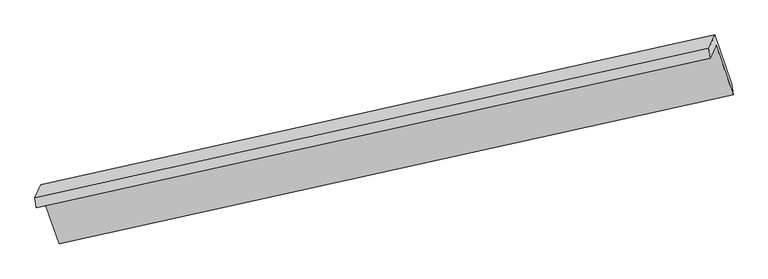
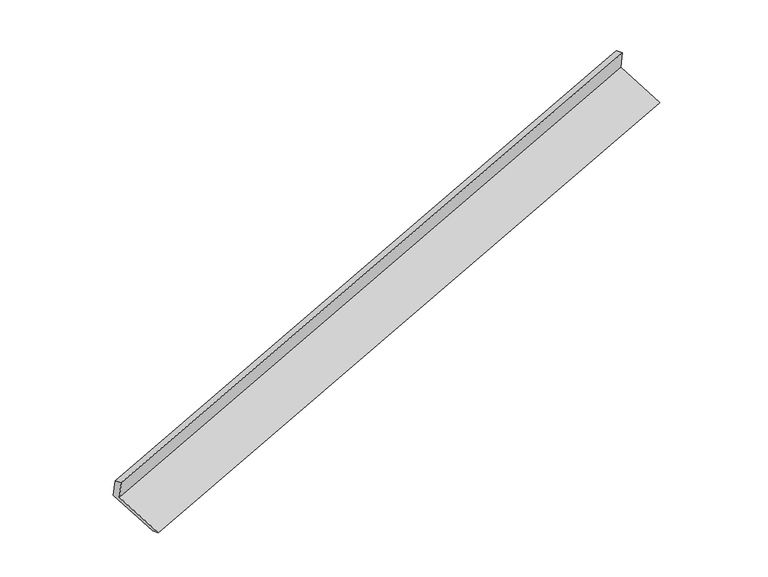
"""IFC4 building model written with IfcOpenShell, lengths in millimetres: proxy geometry."""

import ifcopenshell
import ifcopenshell.guid

model = None  # the IFC model being written
_history = None  # IfcOwnerHistory: only IFC2X3 demands one
_inside = {}  # id of a spatial element -> (the spatial element, [elements in it])
_under = {}  # id of a project, library or spatial element -> (it, [spatial elements below it])
_declared = {}  # id of a project -> (the project, [libraries it declares])
_typed = {}  # id of a type object -> (the type object, [elements of that type])
_made_of = {}  # id of a material, layer set ... -> (it, [elements and type objects made of it])


def new_model(schema):
    """Start an empty IFC model of exactly this schema.

    Asked for "IFC4X3", IfcOpenShell would pick the latest addendum, in which some entities
    have other attributes; the version numbers below select the first issue.
    IFC2X3 requires an IfcOwnerHistory on every rooted entity: one is made here for all.
    """
    global model, _history
    if schema == "IFC4X3":
        model = ifcopenshell.file(schema_version=(4, 3, 0, 0))
    else:
        model = ifcopenshell.file(schema=schema)
    _inside.clear()
    _under.clear()
    _declared.clear()
    _typed.clear()
    _made_of.clear()
    _history = None
    if model.schema == "IFC2X3":
        org = make("IfcOrganization", Name="unknown")
        user = make(
            "IfcPersonAndOrganization",
            ThePerson=make("IfcPerson", FamilyName="unknown"),
            TheOrganization=org,
        )
        app = make(
            "IfcApplication",
            ApplicationDeveloper=org,
            Version="unknown",
            ApplicationFullName="unknown",
            ApplicationIdentifier="unknown",
        )
        _history = make(
            "IfcOwnerHistory",
            OwningUser=user,
            OwningApplication=app,
            ChangeAction="ADDED",
            CreationDate=0,
        )
    return model


def make(cls, **values):
    """One entity of the class cls with the attributes given. An attribute that is None is left unset."""
    return model.create_entity(
        cls, **{name: value for name, value in values.items() if value is not None}
    )


def rooted(cls, **values):
    """An entity with a GlobalId (a new one), such as an element, a storey or a relation."""
    return make(cls, GlobalId=ifcopenshell.guid.new(), OwnerHistory=_history, **values)


def si_unit(unit_type, name, prefix=None):
    """IfcSIUnit, for example si_unit("LENGTHUNIT", "METRE", prefix="MILLI")."""
    return make("IfcSIUnit", UnitType=unit_type, Prefix=prefix, Name=name)


def assignment(units):
    """IfcUnitAssignment: the units of a project."""
    return None if units is None else make("IfcUnitAssignment", Units=units)


def point(xyz):
    """IfcCartesianPoint."""
    return None if xyz is None else make("IfcCartesianPoint", Coordinates=xyz)


def direction(xyz):
    """IfcDirection."""
    return None if xyz is None else make("IfcDirection", DirectionRatios=xyz)


def frame(location, z_axis=None, x_axis=None):
    """IfcAxis2Placement3D, a coordinate frame: its origin and axes. An axis left out is left unset."""
    return make(
        "IfcAxis2Placement3D",
        Location=point(location),
        Axis=direction(z_axis),
        RefDirection=direction(x_axis),
    )


def origin():
    """The frame at (0, 0, 0) with its axes left unset."""
    return frame((0.0, 0.0, 0.0))


def place(relative_to, where):
    """IfcLocalPlacement: puts the frame where relative to a parent placement (None: the world)."""
    return make(
        "IfcLocalPlacement", PlacementRelTo=relative_to, RelativePlacement=where
    )


def context(
    kind, dimensions, precision=None, world=None, true_north=None, identifier=None
):
    """IfcGeometricRepresentationContext, for example the 3D "Model" context."""
    return make(
        "IfcGeometricRepresentationContext",
        ContextIdentifier=identifier,
        ContextType=kind,
        CoordinateSpaceDimension=dimensions,
        Precision=precision,
        WorldCoordinateSystem=world,
        TrueNorth=true_north,
    )


def project(units=None, contexts=None):
    """IfcProject with its units and contexts."""
    return rooted(
        "IfcProject",
        Name="project",
        RepresentationContexts=contexts,
        UnitsInContext=assignment(units),
    )


def spatial(cls, under=None, at=None, **own):
    """A site, building, storey or space (cls), placed at a placement, below another one or the project."""
    s = rooted(cls, ObjectPlacement=at, **own)
    if under is not None:
        _under.setdefault(under.id(), (under, []))[1].append(s)
    return s


def shape(context_of_items, identifier, shape_type, items):
    """IfcShapeRepresentation: the items that make up one representation, for example the "Body"."""
    return make(
        "IfcShapeRepresentation",
        ContextOfItems=context_of_items,
        RepresentationIdentifier=identifier,
        RepresentationType=shape_type,
        Items=items,
    )


def source(mapping_origin, context_of_items, identifier, shape_type, items):
    """IfcRepresentationMap: a shape defined once, which mapped items show again and again."""
    return make(
        "IfcRepresentationMap",
        MappingOrigin=mapping_origin,
        MappedRepresentation=shape(context_of_items, identifier, shape_type, items),
    )


def transform(
    local_origin,
    x_axis=None,
    y_axis=None,
    z_axis=None,
    scale=None,
    scale2=None,
    scale3=None,
    uniform=True,
):
    """IfcCartesianTransformationOperator3D, or its non-uniform kind. x_axis, y_axis, z_axis: its Axis1, 2, 3."""
    if uniform:
        return make(
            "IfcCartesianTransformationOperator3D",
            Axis1=direction(x_axis),
            Axis2=direction(y_axis),
            LocalOrigin=point(local_origin),
            Scale=scale,
            Axis3=direction(z_axis),
        )
    return make(
        "IfcCartesianTransformationOperator3DnonUniform",
        Axis1=direction(x_axis),
        Axis2=direction(y_axis),
        LocalOrigin=point(local_origin),
        Scale=scale,
        Axis3=direction(z_axis),
        Scale2=scale2,
        Scale3=scale3,
    )


def mapped(mapping_source, mapping_target):
    """IfcMappedItem: shows the shape of a source again, moved by a transform."""
    return make(
        "IfcMappedItem", MappingSource=mapping_source, MappingTarget=mapping_target
    )


def made_of(thing, what):
    """Note that an element or type object is made of a material, layer set ...; save() writes the relation."""
    if what is not None:
        _made_of.setdefault(what.id(), (what, []))[1].append(thing)
    return thing


def element(
    cls,
    number,
    at=None,
    inside=None,
    cuts=None,
    type_object=None,
    material=None,
    context=None,
    identifier="Body",
    shape_type=None,
    held_by="IfcProductDefinitionShape",
    body=None,
    shapes=None,
    **own,
):
    """One element of the class cls, such as IfcWall. Its Tag is "e" and its number.

    at: its placement. inside: the storey or other place that contains it. cuts: it is an
    opening in that element (IfcRelVoidsElement). A single representation is given by context,
    identifier, shape_type and body (its items); several are given by shapes. held_by: the class
    of the entity that holds the representations. save() writes the other relations.
    """
    e = rooted(cls, Tag="e%d" % number, ObjectPlacement=at, **own)
    if body is not None:
        shapes = [shape(context, identifier, shape_type, body)]
    if shapes is not None:
        e.Representation = make(held_by, Representations=shapes)
    if inside is not None:
        _inside.setdefault(inside.id(), (inside, []))[1].append(e)
    if cuts is not None:
        rooted(
            "IfcRelVoidsElement", RelatingBuildingElement=cuts, RelatedOpeningElement=e
        )
    if type_object is not None:
        _typed.setdefault(type_object.id(), (type_object, []))[1].append(e)
    return made_of(e, material)


def aggregate(whole, parts):
    """IfcRelAggregates: a whole, such as a stair, and the parts it consists of."""
    return rooted("IfcRelAggregates", RelatingObject=whole, RelatedObjects=parts)


def save(model, path):
    """Write the relations noted so far, then the file.

    IfcRelAggregates (storeys below a building ...), IfcRelContainedInSpatialStructure (elements
    in a storey), IfcRelDefinesByType, IfcRelAssociatesMaterial and IfcRelDeclares: one each for
    every whole, place, type object, material and project.
    """
    for whole, parts in _under.values():
        aggregate(whole, parts)
    for where, things in _inside.values():
        rooted(
            "IfcRelContainedInSpatialStructure",
            RelatedElements=things,
            RelatingStructure=where,
        )
    for kind, things in _typed.values():
        rooted("IfcRelDefinesByType", RelatedObjects=things, RelatingType=kind)
    for what, things in _made_of.values():
        rooted("IfcRelAssociatesMaterial", RelatedObjects=things, RelatingMaterial=what)
    for by, libraries in _declared.values():
        rooted("IfcRelDeclares", RelatingContext=by, RelatedDefinitions=libraries)
    model.write(path)


def plane_surface(at):
    """IfcPlane: the flat surface through the origin of the frame at, square to its z axis."""
    return make("IfcPlane", Position=at)


def spline_surface(u_degree, v_degree, points, u_multiplicities, v_multiplicities, u_knots, v_knots, weights=None):
    """IfcBSplineSurfaceWithKnots; with weights, IfcRationalBSplineSurfaceWithKnots. points: one row for each step in u."""
    own = dict(
        UDegree=u_degree,
        VDegree=v_degree,
        ControlPointsList=[[point(p) for p in row] for row in points],
        SurfaceForm="UNSPECIFIED",
        UClosed=False,
        VClosed=False,
        SelfIntersect=False,
        UMultiplicities=u_multiplicities,
        VMultiplicities=v_multiplicities,
        UKnots=u_knots,
        VKnots=v_knots,
        KnotSpec="UNSPECIFIED",
    )
    if weights is None:
        return make("IfcBSplineSurfaceWithKnots", **own)
    return make("IfcRationalBSplineSurfaceWithKnots", WeightsData=weights, **own)


def advanced_brep(points, edges, surfaces, faces):
    """IfcAdvancedBrep: a solid bounded by faces that lie on surfaces and meet in shared edges.

    An edge is (start, end): straight between two places in points (the first is 0);
    or (start, end, curve); or (start, end, curve, False) where it runs against its curve.
    A face is (place in surfaces, loops), or (place, loops, False) where it looks against
    its surface's normal. A loop lists edges by number (the first is 1), with a minus sign
    where the edge is run from its end to its start. The first loop is the outer one.
    """
    corners = [point(p) for p in points]
    vertices = [make("IfcVertexPoint", VertexGeometry=c) for c in corners]
    made = []
    for start, end, *more in edges:
        made.append(
            make(
                "IfcEdgeCurve",
                EdgeStart=vertices[start],
                EdgeEnd=vertices[end],
                EdgeGeometry=more[0] if more else make("IfcPolyline", Points=[corners[start], corners[end]]),
                SameSense=more[1] if len(more) > 1 else True,
            )
        )
    hull = []
    for where, loops, *sense in faces:
        bounds = []
        for j, loop in enumerate(loops):
            ring = [make("IfcOrientedEdge", EdgeElement=made[abs(k) - 1], Orientation=k > 0) for k in loop]
            bounds.append(
                make(
                    "IfcFaceOuterBound" if j == 0 else "IfcFaceBound",
                    Bound=make("IfcEdgeLoop", EdgeList=ring),
                    Orientation=True,
                )
            )
        hull.append(make("IfcAdvancedFace", Bounds=bounds, FaceSurface=surfaces[where], SameSense=sense[0] if sense else True))
    return make("IfcAdvancedBrep", Outer=make("IfcClosedShell", CfsFaces=hull))


def generic_models_b62c6380(model_context):
    return source(origin(), model_context, "Body", "AdvancedBrep", [
        advanced_brep(
        [(-7584.8509033, -2489.8125317, 879.6868235), (-7506.8177505, -2308.4231074, 495.8812476), (1698.9866811, -269.6649426, 3325.4623405), (1620.9535283, -451.0543669, 3709.2679164), (-7602.6274887, -2351.7389666, 838.1356424), (1603.176943, -312.9808018, 3667.7167352), (-7525.4871064, -2172.424803, 458.7211529), (1682.1252279, -129.4641371, 3279.4100879), (-7290.5717355, -2852.6589063, 184.9990082), (1913.9895632, -800.8634909, 3009.2429937), (-7273.4562764, -2984.1576603, 223.9696952), (1932.3481553, -945.3994956, 3053.5507881)],
        [
            (0, 1),
            (1, 2),
            (2, 3),
            (3, 0),
            (4, 0),
            (3, 5),
            (5, 4),
            (6, 4),
            (5, 7),
            (7, 6),
            (8, 6),
            (7, 9),
            (9, 8),
            (10, 8),
            (9, 11),
            (11, 10),
            (1, 10),
            (11, 2),
        ],
        [
            plane_surface(frame((-7545.8343269, -2399.1178195, 687.7840356), z_axis=(0.30495143857051643, -0.8835086163449787, -0.35555188785598324), x_axis=(0.18079026399891387, 0.42025012101919873, -0.889215787211716))),
            plane_surface(frame((-7593.739196, -2420.7757491, 858.9112329), z_axis=(-0.3324042959562319, 0.23228414325856883, 0.9140850402563618), x_axis=(0.12235929582749433, -0.9503841089796743, 0.28600393025885207))),
            plane_surface(frame((-7564.0572975, -2262.0818848, 648.4283976), z_axis=(-0.3049514385705315, 0.8835086163449453, 0.35555188785605385), x_axis=(-0.18079026399879722, -0.42025012101924863, 0.8892157872117162))),
            plane_surface(frame((-7408.029421, -2512.5418547, 321.8600805), z_axis=(0.17936536936443986, 0.4199341746681875, -0.8896535017738684), x_axis=(-0.30510355723495153, 0.8834749463041043, 0.3555050472434095))),
            spline_surface(1, 1, [[(-7273.4562764, -2984.1576603, 223.9696952), (1932.3481553, -945.3994956, 3053.5507881)], [(-7290.5717355, -2852.6589063, 184.9990082), (1913.9895632, -800.8634909, 3009.2429937)]], [2, 2], [2, 2], [0.0, 1.0], [0.0, 1.0]),
            plane_surface(frame((-7390.1370135, -2646.2903839, 359.9254714), z_axis=(-0.18031534526929685, -0.4201449138726495, 0.8893619216086093), x_axis=(0.3051035572349527, -0.8834749463041373, -0.35550504724332643))),
            plane_surface(frame((1741.9300164, -484.9045392, 3340.7751436), z_axis=(0.9350009089866294, 0.20703104848373147, 0.28794347563003386), x_axis=(-0.30510355723495153, 0.8834749463041043, 0.3555050472434095))),
            plane_surface(frame((-7463.9685435, -2526.5359959, 513.565595), z_axis=(-0.9350009089866045, -0.2070310484837003, -0.28794347563013667), x_axis=(-0.18079026399893644, -0.42025012101916315, 0.8892157872117282))),
        ],
        [
            (0, [[1, 2, 3, 4]]),
            (1, [[5, -4, 6, 7]]),
            (2, [[8, -7, 9, 10]]),
            (3, [[11, -10, 12, 13]]),
            (4, [[14, -13, 15, 16]]),
            (5, [[17, -16, 18, -2]]),
            (6, [[-12, -9, -6, -3, -18, -15]]),
            (7, [[-1, -5, -8, -11, -14, -17]]),
        ],
    ),
    ])


if __name__ == "__main__":
    model = new_model("IFC4")
    model_context = context("Model", 3, world=origin())
    ifc_project = project(units=[si_unit("LENGTHUNIT", "METRE", prefix="MILLI")], contexts=[model_context])
    site = spatial("IfcSite", under=ifc_project)
    building = spatial("IfcBuilding", under=site)
    placement = place(None, origin())
    generic_models_shape = generic_models_b62c6380(model_context)
    element("IfcBuildingElementProxy", 1, Name="Generic Models", at=placement, inside=building, context=model_context, shape_type="MappedRepresentation", body=[
        mapped(generic_models_shape, transform((0.0, 0.0, 0.0), x_axis=(1.0, 0.0, 0.0), y_axis=(0.0, 1.0, 0.0), z_axis=(0.0, 0.0, 1.0))),
    ])
    save(model, "model.ifc")
